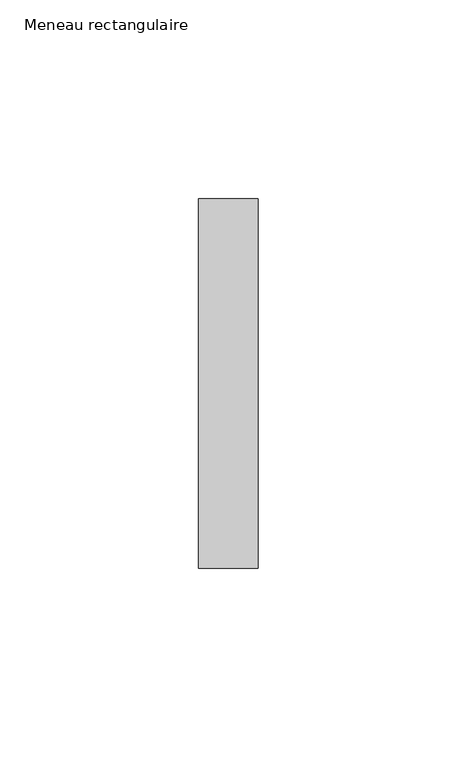
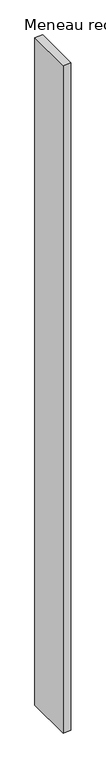
"""IFC4 building model written with IfcOpenShell, lengths in millimetres: member geometry, Meneau rectangulaire."""

from ifc_helpers import new_model, si_unit, frame, origin, place, context, project, spatial, polyline, outline, extrude, source, transform, mapped, element, save


def meneau_rectangulaire_18445661(model_context):
    return source(origin(), model_context, "Body", "SweptSolid", [
        extrude(outline(polyline([(0.0, 46.5), (0.0, -46.5), (-15.0, -46.5), (-15.0, 46.5), (0.0, 46.5)])), frame((0.0, 0.0, -1343.3333335), z_axis=(0.0, 0.0, 1.0), x_axis=(1.0, 0.0, 0.0)), (0.0, 0.0, 1.0), 1343.3333335),
    ])


if __name__ == "__main__":
    model = new_model("IFC4")
    model_context = context("Model", 3, world=origin())
    ifc_project = project(units=[si_unit("LENGTHUNIT", "METRE", prefix="MILLI")], contexts=[model_context])
    site = spatial("IfcSite", under=ifc_project)
    building = spatial("IfcBuilding", under=site)
    placement = place(None, origin())
    meneau_rectangulaire_shape = meneau_rectangulaire_18445661(model_context)
    element("IfcMember", 1, ObjectType="Meneau rectangulaire", at=placement, inside=building, context=model_context, shape_type="MappedRepresentation", body=[
        mapped(meneau_rectangulaire_shape, transform((0.0, 0.0, 0.0), x_axis=(1.0, 0.0, 0.0), y_axis=(0.0, 1.0, 0.0), z_axis=(0.0, 0.0, 1.0))),
    ])
    save(model, "model.ifc")
